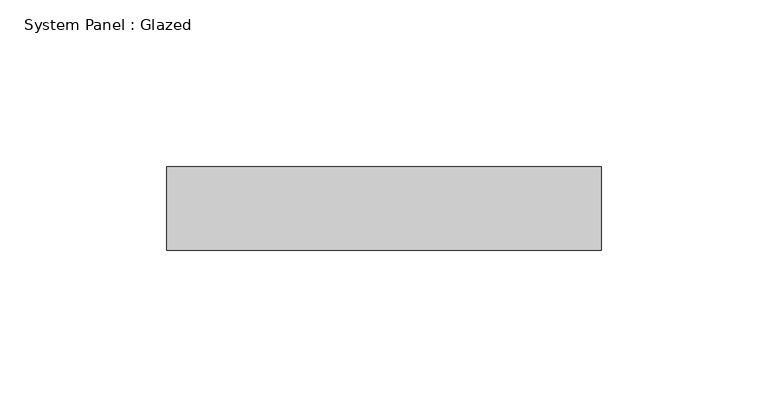
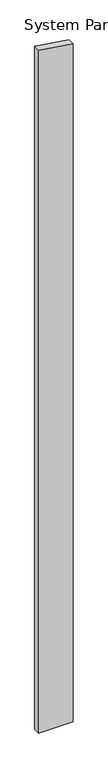
"""IFC4 building model written with IfcOpenShell, lengths in millimetres: plate geometry, System Panel : Glazed."""

from ifc_helpers import new_model, si_unit, frame, origin, place, context, project, spatial, polyline, outline, extrude, source, transform, mapped, element, save


def system_panel_glazed_be302ce5(model_context):
    return source(origin(), model_context, "Body", "SweptSolid", [
        extrude(outline(polyline([(0.0, -65.0), (0.0, 65.0), (2697.623723, 65.0), (2716.858007, -65.0), (0.0, -65.0)])), frame((0.0, 24.5, 0.0), z_axis=(0.0, 1.0, 0.0), x_axis=(0.0, 0.0, 1.0)), (0.0, 0.0, 1.0), 25.0),
    ])


if __name__ == "__main__":
    model = new_model("IFC4")
    model_context = context("Model", 3, world=origin())
    ifc_project = project(units=[si_unit("LENGTHUNIT", "METRE", prefix="MILLI")], contexts=[model_context])
    site = spatial("IfcSite", under=ifc_project)
    building = spatial("IfcBuilding", under=site)
    placement = place(None, origin())
    system_panel_glazed_shape = system_panel_glazed_be302ce5(model_context)
    element("IfcPlate", 1, ObjectType="System Panel : Glazed", at=placement, inside=building, context=model_context, shape_type="MappedRepresentation", body=[
        mapped(system_panel_glazed_shape, transform((0.0, 0.0, 0.0), x_axis=(1.0, 0.0, 0.0), y_axis=(0.0, 1.0, 0.0), z_axis=(0.0, 0.0, 1.0))),
    ])
    save(model, "model.ifc")
